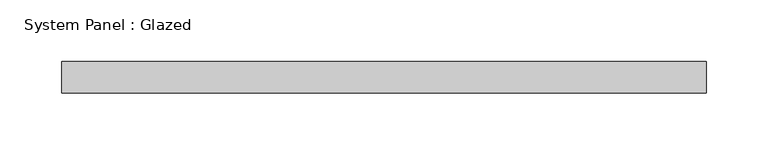
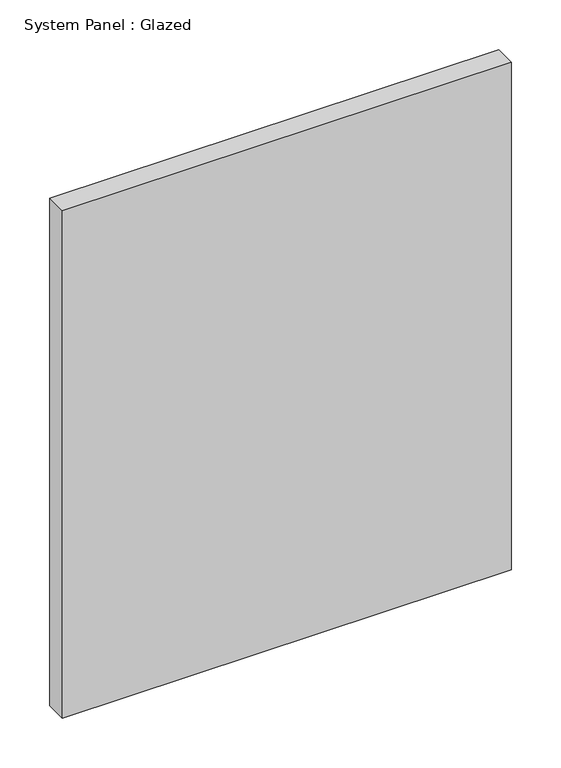
"""IFC4 building model written with IfcOpenShell, lengths in millimetres: plate geometry, System Panel : Glazed."""

import ifcopenshell
import ifcopenshell.guid

model = None  # the IFC model being written
_history = None  # IfcOwnerHistory: only IFC2X3 demands one
_inside = {}  # id of a spatial element -> (the spatial element, [elements in it])
_under = {}  # id of a project, library or spatial element -> (it, [spatial elements below it])
_declared = {}  # id of a project -> (the project, [libraries it declares])
_typed = {}  # id of a type object -> (the type object, [elements of that type])
_made_of = {}  # id of a material, layer set ... -> (it, [elements and type objects made of it])


def new_model(schema):
    """Start an empty IFC model of exactly this schema.

    Asked for "IFC4X3", IfcOpenShell would pick the latest addendum, in which some entities
    have other attributes; the version numbers below select the first issue.
    IFC2X3 requires an IfcOwnerHistory on every rooted entity: one is made here for all.
    """
    global model, _history
    if schema == "IFC4X3":
        model = ifcopenshell.file(schema_version=(4, 3, 0, 0))
    else:
        model = ifcopenshell.file(schema=schema)
    _inside.clear()
    _under.clear()
    _declared.clear()
    _typed.clear()
    _made_of.clear()
    _history = None
    if model.schema == "IFC2X3":
        org = make("IfcOrganization", Name="unknown")
        user = make(
            "IfcPersonAndOrganization",
            ThePerson=make("IfcPerson", FamilyName="unknown"),
            TheOrganization=org,
        )
        app = make(
            "IfcApplication",
            ApplicationDeveloper=org,
            Version="unknown",
            ApplicationFullName="unknown",
            ApplicationIdentifier="unknown",
        )
        _history = make(
            "IfcOwnerHistory",
            OwningUser=user,
            OwningApplication=app,
            ChangeAction="ADDED",
            CreationDate=0,
        )
    return model


def make(cls, **values):
    """One entity of the class cls with the attributes given. An attribute that is None is left unset."""
    return model.create_entity(
        cls, **{name: value for name, value in values.items() if value is not None}
    )


def rooted(cls, **values):
    """An entity with a GlobalId (a new one), such as an element, a storey or a relation."""
    return make(cls, GlobalId=ifcopenshell.guid.new(), OwnerHistory=_history, **values)


def si_unit(unit_type, name, prefix=None):
    """IfcSIUnit, for example si_unit("LENGTHUNIT", "METRE", prefix="MILLI")."""
    return make("IfcSIUnit", UnitType=unit_type, Prefix=prefix, Name=name)


def assignment(units):
    """IfcUnitAssignment: the units of a project."""
    return None if units is None else make("IfcUnitAssignment", Units=units)


def point(xyz):
    """IfcCartesianPoint."""
    return None if xyz is None else make("IfcCartesianPoint", Coordinates=xyz)


def direction(xyz):
    """IfcDirection."""
    return None if xyz is None else make("IfcDirection", DirectionRatios=xyz)


def frame(location, z_axis=None, x_axis=None):
    """IfcAxis2Placement3D, a coordinate frame: its origin and axes. An axis left out is left unset."""
    return make(
        "IfcAxis2Placement3D",
        Location=point(location),
        Axis=direction(z_axis),
        RefDirection=direction(x_axis),
    )


def origin():
    """The frame at (0, 0, 0) with its axes left unset."""
    return frame((0.0, 0.0, 0.0))


def origin_with_axes():
    """The frame at (0, 0, 0) with the z axis (0, 0, 1) and the x axis (1, 0, 0) written out."""
    return frame((0.0, 0.0, 0.0), z_axis=(0.0, 0.0, 1.0), x_axis=(1.0, 0.0, 0.0))


def place(relative_to, where):
    """IfcLocalPlacement: puts the frame where relative to a parent placement (None: the world)."""
    return make(
        "IfcLocalPlacement", PlacementRelTo=relative_to, RelativePlacement=where
    )


def context(
    kind, dimensions, precision=None, world=None, true_north=None, identifier=None
):
    """IfcGeometricRepresentationContext, for example the 3D "Model" context."""
    return make(
        "IfcGeometricRepresentationContext",
        ContextIdentifier=identifier,
        ContextType=kind,
        CoordinateSpaceDimension=dimensions,
        Precision=precision,
        WorldCoordinateSystem=world,
        TrueNorth=true_north,
    )


def project(units=None, contexts=None):
    """IfcProject with its units and contexts."""
    return rooted(
        "IfcProject",
        Name="project",
        RepresentationContexts=contexts,
        UnitsInContext=assignment(units),
    )


def spatial(cls, under=None, at=None, **own):
    """A site, building, storey or space (cls), placed at a placement, below another one or the project."""
    s = rooted(cls, ObjectPlacement=at, **own)
    if under is not None:
        _under.setdefault(under.id(), (under, []))[1].append(s)
    return s


def polyline(points):
    """IfcPolyline through the points."""
    return make("IfcPolyline", Points=[point(p) for p in points])


def outline(outer, holes=None, kind="AREA"):
    """IfcArbitraryClosedProfileDef: a profile drawn as a closed curve; with holes, ...WithVoids."""
    if holes is None:
        return make("IfcArbitraryClosedProfileDef", ProfileType=kind, OuterCurve=outer)
    return make(
        "IfcArbitraryProfileDefWithVoids",
        ProfileType=kind,
        OuterCurve=outer,
        InnerCurves=holes,
    )


def extrude(swept, where, along, depth):
    """IfcExtrudedAreaSolid: the profile swept, set in the frame where, extruded along a direction by depth."""
    return make(
        "IfcExtrudedAreaSolid",
        SweptArea=swept,
        Position=where,
        ExtrudedDirection=direction(along),
        Depth=depth,
    )


def shape(context_of_items, identifier, shape_type, items):
    """IfcShapeRepresentation: the items that make up one representation, for example the "Body"."""
    return make(
        "IfcShapeRepresentation",
        ContextOfItems=context_of_items,
        RepresentationIdentifier=identifier,
        RepresentationType=shape_type,
        Items=items,
    )


def source(mapping_origin, context_of_items, identifier, shape_type, items):
    """IfcRepresentationMap: a shape defined once, which mapped items show again and again."""
    return make(
        "IfcRepresentationMap",
        MappingOrigin=mapping_origin,
        MappedRepresentation=shape(context_of_items, identifier, shape_type, items),
    )


def transform(
    local_origin,
    x_axis=None,
    y_axis=None,
    z_axis=None,
    scale=None,
    scale2=None,
    scale3=None,
    uniform=True,
):
    """IfcCartesianTransformationOperator3D, or its non-uniform kind. x_axis, y_axis, z_axis: its Axis1, 2, 3."""
    if uniform:
        return make(
            "IfcCartesianTransformationOperator3D",
            Axis1=direction(x_axis),
            Axis2=direction(y_axis),
            LocalOrigin=point(local_origin),
            Scale=scale,
            Axis3=direction(z_axis),
        )
    return make(
        "IfcCartesianTransformationOperator3DnonUniform",
        Axis1=direction(x_axis),
        Axis2=direction(y_axis),
        LocalOrigin=point(local_origin),
        Scale=scale,
        Axis3=direction(z_axis),
        Scale2=scale2,
        Scale3=scale3,
    )


def mapped(mapping_source, mapping_target):
    """IfcMappedItem: shows the shape of a source again, moved by a transform."""
    return make(
        "IfcMappedItem", MappingSource=mapping_source, MappingTarget=mapping_target
    )


def made_of(thing, what):
    """Note that an element or type object is made of a material, layer set ...; save() writes the relation."""
    if what is not None:
        _made_of.setdefault(what.id(), (what, []))[1].append(thing)
    return thing


def element(
    cls,
    number,
    at=None,
    inside=None,
    cuts=None,
    type_object=None,
    material=None,
    context=None,
    identifier="Body",
    shape_type=None,
    held_by="IfcProductDefinitionShape",
    body=None,
    shapes=None,
    **own,
):
    """One element of the class cls, such as IfcWall. Its Tag is "e" and its number.

    at: its placement. inside: the storey or other place that contains it. cuts: it is an
    opening in that element (IfcRelVoidsElement). A single representation is given by context,
    identifier, shape_type and body (its items); several are given by shapes. held_by: the class
    of the entity that holds the representations. save() writes the other relations.
    """
    e = rooted(cls, Tag="e%d" % number, ObjectPlacement=at, **own)
    if body is not None:
        shapes = [shape(context, identifier, shape_type, body)]
    if shapes is not None:
        e.Representation = make(held_by, Representations=shapes)
    if inside is not None:
        _inside.setdefault(inside.id(), (inside, []))[1].append(e)
    if cuts is not None:
        rooted(
            "IfcRelVoidsElement", RelatingBuildingElement=cuts, RelatedOpeningElement=e
        )
    if type_object is not None:
        _typed.setdefault(type_object.id(), (type_object, []))[1].append(e)
    return made_of(e, material)


def aggregate(whole, parts):
    """IfcRelAggregates: a whole, such as a stair, and the parts it consists of."""
    return rooted("IfcRelAggregates", RelatingObject=whole, RelatedObjects=parts)


def save(model, path):
    """Write the relations noted so far, then the file.

    IfcRelAggregates (storeys below a building ...), IfcRelContainedInSpatialStructure (elements
    in a storey), IfcRelDefinesByType, IfcRelAssociatesMaterial and IfcRelDeclares: one each for
    every whole, place, type object, material and project.
    """
    for whole, parts in _under.values():
        aggregate(whole, parts)
    for where, things in _inside.values():
        rooted(
            "IfcRelContainedInSpatialStructure",
            RelatedElements=things,
            RelatingStructure=where,
        )
    for kind, things in _typed.values():
        rooted("IfcRelDefinesByType", RelatedObjects=things, RelatingType=kind)
    for what, things in _made_of.values():
        rooted("IfcRelAssociatesMaterial", RelatedObjects=things, RelatingMaterial=what)
    for by, libraries in _declared.values():
        rooted("IfcRelDeclares", RelatingContext=by, RelatedDefinitions=libraries)
    model.write(path)


def system_panel_glazed_4dcaf286(model_context):
    return source(origin(), model_context, "Body", "SweptSolid", [
        extrude(outline(polyline([(260.35, 19.05), (-260.35, 19.05), (-260.35, 44.45), (260.35, 44.45), (260.35, 19.05)])), origin_with_axes(), (0.0, 0.0, 1.0), 622.3),
    ])


if __name__ == "__main__":
    model = new_model("IFC4")
    model_context = context("Model", 3, world=origin())
    ifc_project = project(units=[si_unit("LENGTHUNIT", "METRE", prefix="MILLI")], contexts=[model_context])
    site = spatial("IfcSite", under=ifc_project)
    building = spatial("IfcBuilding", under=site)
    placement = place(None, origin())
    system_panel_glazed_shape = system_panel_glazed_4dcaf286(model_context)
    element("IfcPlate", 1, ObjectType="System Panel : Glazed", at=placement, inside=building, context=model_context, shape_type="MappedRepresentation", body=[
        mapped(system_panel_glazed_shape, transform((0.0, 0.0, 0.0), x_axis=(1.0, 0.0, 0.0), y_axis=(0.0, 1.0, 0.0), z_axis=(0.0, 0.0, 1.0))),
    ])
    save(model, "model.ifc")
